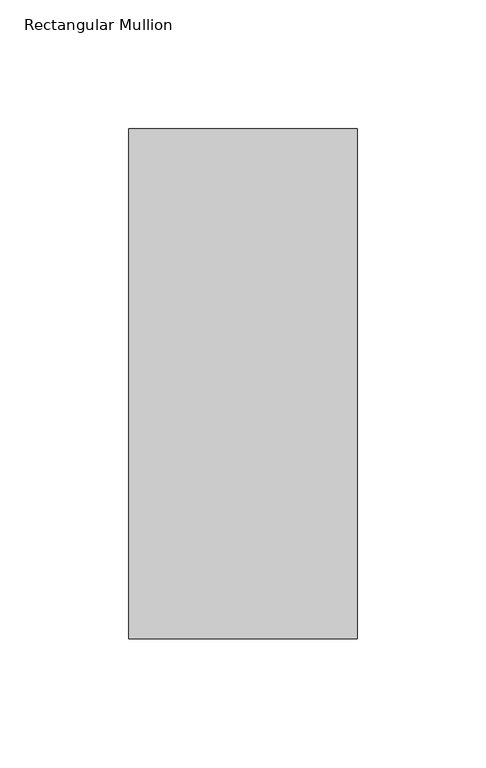
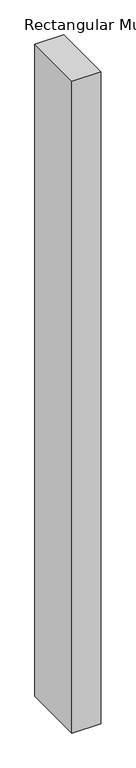
"""IFC4 building model written with IfcOpenShell, lengths in millimetres: member geometry, Rectangular Mullion."""

from ifc_helpers import new_model, si_unit, frame, origin, place, context, project, spatial, polyline, outline, extrude, source, transform, mapped, element, save


def rectangular_mullion_5fc70c57(model_context):
    return source(origin(), model_context, "Body", "SweptSolid", [
        extrude(outline(polyline([(-88.9, 42.06875), (0.0, 42.06875), (0.0, -156.36875), (-88.9, -156.36875), (-88.9, 42.06875)])), frame((0.0, 0.0, -2133.6), z_axis=(0.0, 0.0, 1.0), x_axis=(1.0, 0.0, 0.0)), (0.0, 0.0, 1.0), 2133.6),
    ])


if __name__ == "__main__":
    model = new_model("IFC4")
    model_context = context("Model", 3, world=origin())
    ifc_project = project(units=[si_unit("LENGTHUNIT", "METRE", prefix="MILLI")], contexts=[model_context])
    site = spatial("IfcSite", under=ifc_project)
    building = spatial("IfcBuilding", under=site)
    placement = place(None, origin())
    rectangular_mullion_shape = rectangular_mullion_5fc70c57(model_context)
    element("IfcMember", 1, ObjectType="Rectangular Mullion", at=placement, inside=building, context=model_context, shape_type="MappedRepresentation", body=[
        mapped(rectangular_mullion_shape, transform((0.0, 0.0, 0.0), x_axis=(1.0, 0.0, 0.0), y_axis=(0.0, 1.0, 0.0), z_axis=(0.0, 0.0, 1.0))),
    ])
    save(model, "model.ifc")
